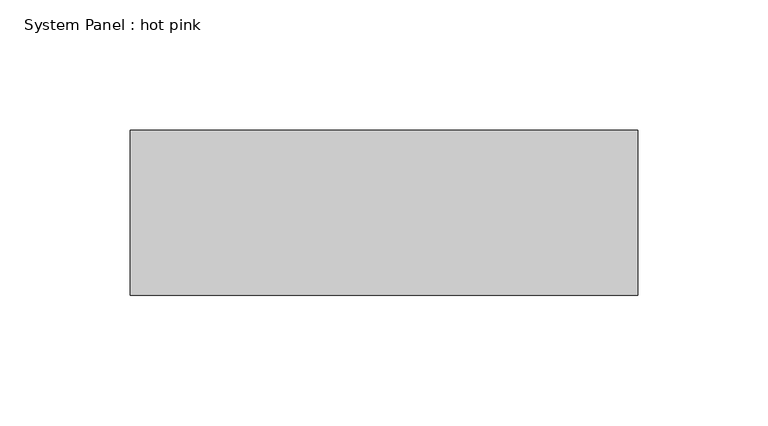
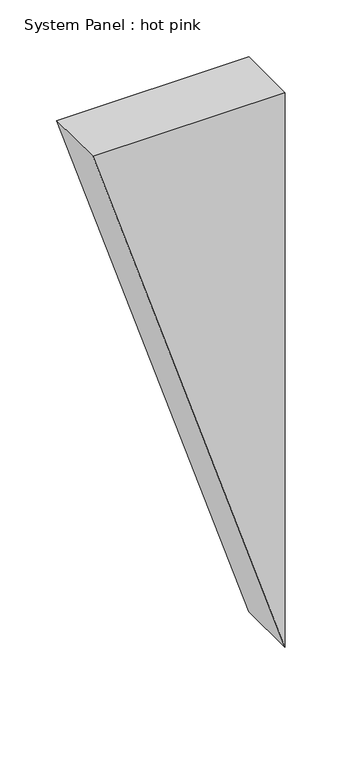
"""IFC4 building model written with IfcOpenShell, lengths in millimetres: plate geometry, System Panel : hot pink."""

from ifc_helpers import new_model, si_unit, frame, origin, place, context, project, spatial, polyline, outline, extrude, source, transform, mapped, element, save


def system_panel_hot_pink_6ad9fe61(model_context):
    return source(origin(), model_context, "Body", "SweptSolid", [
        extrude(outline(polyline([(594.8686718, -97.5158115), (0.0, 97.5158115), (594.8686718, 97.5158115), (594.8686718, -97.5158115)])), frame((0.0, -44.45, 0.0), z_axis=(0.0, 1.0, 0.0), x_axis=(0.0, 0.0, 1.0)), (0.0, 0.0, 1.0), 63.5),
    ])


if __name__ == "__main__":
    model = new_model("IFC4")
    model_context = context("Model", 3, world=origin())
    ifc_project = project(units=[si_unit("LENGTHUNIT", "METRE", prefix="MILLI")], contexts=[model_context])
    site = spatial("IfcSite", under=ifc_project)
    building = spatial("IfcBuilding", under=site)
    placement = place(None, origin())
    system_panel_hot_pink_shape = system_panel_hot_pink_6ad9fe61(model_context)
    element("IfcPlate", 1, ObjectType="System Panel : hot pink", at=placement, inside=building, context=model_context, shape_type="MappedRepresentation", body=[
        mapped(system_panel_hot_pink_shape, transform((0.0, 0.0, 0.0), x_axis=(1.0, 0.0, 0.0), y_axis=(0.0, 1.0, 0.0), z_axis=(0.0, 0.0, 1.0))),
    ])
    save(model, "model.ifc")
